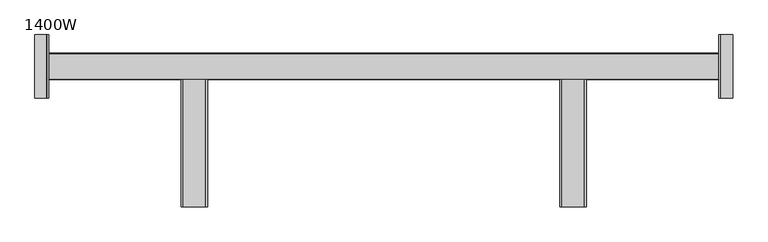
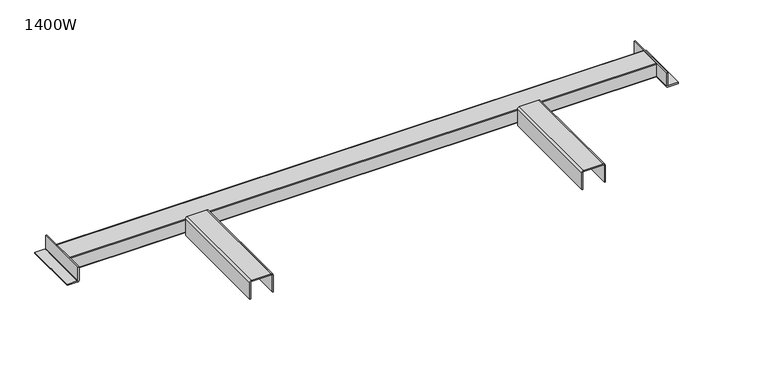
"""IFC4 building model written with IfcOpenShell, lengths in millimetres: furniture geometry, 1400W."""

from ifc_helpers import new_model, si_unit, point, frame, frame_2d, origin, place, context, project, spatial, polyline, circle_curve, trimmed, segment, composite_curve, outline, extrude, source, transform, mapped, element, save


def furniture_1400w_2daf194b(model_context):
    return source(origin(), model_context, "Body", "SweptSolid", [
        extrude(outline(composite_curve([segment(polyline([(652.9999672, 319.1551504), (690.9999966, 319.1551504)]), True, "CONTINUOUS"), segment(trimmed(circle_curve(frame_2d((690.9999966, 321.1551504)), 2.0), [point((690.9999966, 319.1551504))], [point((692.9999966, 321.1551504))], True, "CARTESIAN"), True, "CONTINUOUS"), segment(polyline([(692.9999966, 321.1551504), (692.9999966, 363.1554886)]), True, "CONTINUOUS"), segment(trimmed(circle_curve(frame_2d((690.9999966, 363.1554886)), 2.0), [point((692.9999966, 363.1554886))], [point((690.9999966, 365.1554886))], True, "CARTESIAN"), True, "CONTINUOUS"), segment(polyline([(690.9999966, 365.1554886), (652.9999672, 365.1554886), (652.9999672, 367.1548192), (691.0, 367.1548192)]), True, "CONTINUOUS"), segment(trimmed(circle_curve(frame_2d((691.0, 363.1548192)), 4.0), [point((691.0, 367.1548192))], [point((695.0, 363.1548192))], False, "CARTESIAN"), True, "CONTINUOUS"), segment(polyline([(695.0, 363.1548192), (695.0, 321.1557999)]), True, "CONTINUOUS"), segment(trimmed(circle_curve(frame_2d((691.0, 321.1557999)), 4.0), [point((695.0, 321.1557999))], [point((691.0, 317.1557999))], False, "CARTESIAN"), True, "CONTINUOUS"), segment(polyline([(691.0, 317.1557999), (652.9999672, 317.1557999), (652.9999672, 319.1551504)]), True, "CONTINUOUS")], self_intersect=False)), frame((0.0, -578.4999946, 0.0), z_axis=(0.0, 1.0, 0.0), x_axis=(0.0, 0.0, 1.0)), (0.0, 0.0, 1.0), 240.3203238),
        extrude(outline(composite_curve([segment(polyline([(652.9999672, 1080.8448496), (652.9999672, 1082.8442001), (691.0, 1082.8442001)]), True, "CONTINUOUS"), segment(trimmed(circle_curve(frame_2d((691.0, 1078.8442001)), 4.0), [point((691.0, 1082.8442001))], [point((695.0, 1078.8442001))], False, "CARTESIAN"), True, "CONTINUOUS"), segment(polyline([(695.0, 1078.8442001), (695.0, 1036.8451808)]), True, "CONTINUOUS"), segment(trimmed(circle_curve(frame_2d((691.0, 1036.8451808)), 4.0), [point((695.0, 1036.8451808))], [point((691.0, 1032.8451808))], False, "CARTESIAN"), True, "CONTINUOUS"), segment(polyline([(691.0, 1032.8451808), (652.9999672, 1032.8451808), (652.9999672, 1034.8445114), (690.9999966, 1034.8445114)]), True, "CONTINUOUS"), segment(trimmed(circle_curve(frame_2d((690.9999966, 1036.8445114)), 2.0), [point((690.9999966, 1034.8445114))], [point((692.9999966, 1036.8445114))], True, "CARTESIAN"), True, "CONTINUOUS"), segment(polyline([(692.9999966, 1036.8445114), (692.9999966, 1078.8448496)]), True, "CONTINUOUS"), segment(trimmed(circle_curve(frame_2d((690.9999966, 1078.8448496)), 2.0), [point((692.9999966, 1078.8448496))], [point((690.9999966, 1080.8448496))], True, "CARTESIAN"), True, "CONTINUOUS"), segment(polyline([(690.9999966, 1080.8448496), (652.9999672, 1080.8448496)]), True, "CONTINUOUS")], self_intersect=False)), frame((0.0, -578.4999946, 0.0), z_axis=(0.0, 1.0, 0.0), x_axis=(0.0, 0.0, 1.0)), (0.0, 0.0, 1.0), 240.3203238),
        extrude(outline(composite_curve([segment(polyline([(689.9999617, 67.1565416), (689.9999617, 64.1575733), (660.6007319, 64.1575733)]), True, "CONTINUOUS"), segment(trimmed(circle_curve(frame_2d((660.6007319, 63.5568174)), 0.6007559), [point((660.6007319, 64.1575733))], [point((659.999976, 63.5568174))], True, "CARTESIAN"), True, "CONTINUOUS"), segment(polyline([(659.999976, 63.5568174), (659.999976, 41.1567834), (657.0000137, 41.1567834), (657.0000137, 64.0369041)]), True, "CONTINUOUS"), segment(trimmed(circle_curve(frame_2d((660.1196512, 64.0369041)), 3.1196375), [point((657.0000137, 64.0369041))], [point((660.1196512, 67.1565416))], False, "CARTESIAN"), True, "CONTINUOUS"), segment(polyline([(660.1196512, 67.1565416), (689.9999617, 67.1565416)]), True, "CONTINUOUS")], self_intersect=False)), frame((0.0, -373.4999712, 0.0), z_axis=(0.0, 1.0, 0.0), x_axis=(0.0, 0.0, 1.0)), (0.0, 0.0, 1.0), 119.9999791),
        extrude(outline(composite_curve([segment(polyline([(689.9999617, 1332.8434584), (660.1196512, 1332.8434584)]), True, "CONTINUOUS"), segment(trimmed(circle_curve(frame_2d((660.1196512, 1335.9630959)), 3.1196375), [point((660.1196512, 1332.8434584))], [point((657.0000137, 1335.9630959))], False, "CARTESIAN"), True, "CONTINUOUS"), segment(polyline([(657.0000137, 1335.9630959), (657.0000137, 1358.8432166), (659.999976, 1358.8432166), (659.999976, 1336.4431826)]), True, "CONTINUOUS"), segment(trimmed(circle_curve(frame_2d((660.6007319, 1336.4431826)), 0.6007559), [point((659.999976, 1336.4431826))], [point((660.6007319, 1335.8424267))], True, "CARTESIAN"), True, "CONTINUOUS"), segment(polyline([(660.6007319, 1335.8424267), (689.9999617, 1335.8424267), (689.9999617, 1332.8434584)]), True, "CONTINUOUS")], self_intersect=False)), frame((0.0, -373.4999712, 0.0), z_axis=(0.0, 1.0, 0.0), x_axis=(0.0, 0.0, 1.0)), (0.0, 0.0, 1.0), 119.9999791),
        extrude(outline(composite_curve([segment(polyline([(-289.4999815, 659.999976), (-337.5, 659.999976)]), True, "CONTINUOUS"), segment(trimmed(circle_curve(frame_2d((-337.5, 660.999976)), 1.0), [point((-337.5, 659.999976))], [point((-338.5, 660.999976))], False, "CARTESIAN"), True, "CONTINUOUS"), segment(polyline([(-338.5, 660.999976), (-338.5, 689.0004764)]), True, "CONTINUOUS"), segment(trimmed(circle_curve(frame_2d((-337.5, 689.0004764)), 1.0), [point((-338.5, 689.0004764))], [point((-337.5, 690.0004764))], False, "CARTESIAN"), True, "CONTINUOUS"), segment(polyline([(-337.5, 690.0004764), (-289.4999815, 690.0004764)]), True, "CONTINUOUS"), segment(trimmed(circle_curve(frame_2d((-289.4999815, 689.0004764)), 1.0), [point((-289.4999815, 690.0004764))], [point((-288.4999815, 689.0004764))], False, "CARTESIAN"), True, "CONTINUOUS"), segment(polyline([(-288.4999815, 689.0004764), (-288.4999815, 660.999976)]), True, "CONTINUOUS"), segment(trimmed(circle_curve(frame_2d((-289.4999815, 660.999976)), 1.0), [point((-288.4999815, 660.999976))], [point((-289.4999815, 659.999976))], False, "CARTESIAN"), True, "CONTINUOUS")], self_intersect=False), holes=[polyline([(-336.4999767, 687.9999384), (-336.4999767, 662.0002172), (-290.4999866, 662.0002172), (-290.4999866, 687.9999384), (-336.4999767, 687.9999384)])]), frame((67.1565416, 0.0, 0.0), z_axis=(1.0, 0.0, 0.0), x_axis=(0.0, 1.0, 0.0)), (0.0, 0.0, 1.0), 1265.6869168),
    ])


if __name__ == "__main__":
    model = new_model("IFC4")
    model_context = context("Model", 3, world=origin())
    ifc_project = project(units=[si_unit("LENGTHUNIT", "METRE", prefix="MILLI")], contexts=[model_context])
    site = spatial("IfcSite", under=ifc_project)
    building = spatial("IfcBuilding", under=site)
    placement = place(None, origin())
    furniture_1400w_shape = furniture_1400w_2daf194b(model_context)
    element("IfcFurniture", 1, ObjectType="1400W", at=placement, inside=building, context=model_context, shape_type="MappedRepresentation", body=[
        mapped(furniture_1400w_shape, transform((0.0, 0.0, 0.0), x_axis=(1.0, 0.0, 0.0), y_axis=(0.0, 1.0, 0.0), z_axis=(0.0, 0.0, 1.0))),
    ])
    save(model, "model.ifc")
